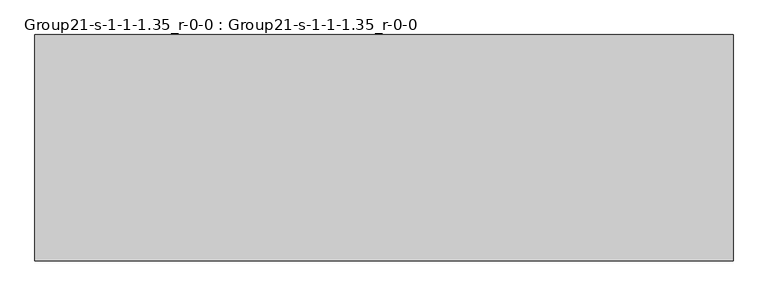
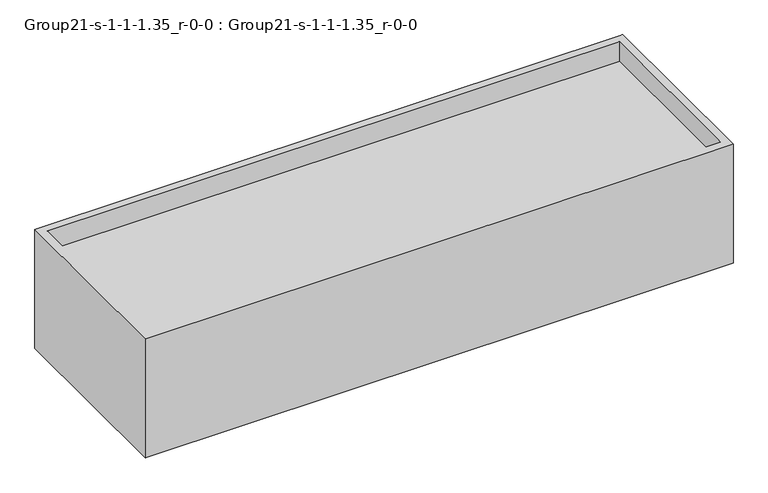
"""IFC4 building model written with IfcOpenShell, lengths in millimetres: geographic element geometry, Group21-s-1-1-1.35_r-0-0 : Group21-s-1-1-1.35_r-0-0."""

from ifc_helpers import new_model, si_unit, origin, place, context, project, spatial, triangles, source, transform, mapped, element, save


def group21_s_1_1_1_35_r_0_0_group21_s_1_1_1_35_r_0_0_54f4482e(model_context):
    return source(origin(), model_context, "Body", "Tessellation", [
        triangles([(16976.7253876, 7585.0748062, 0.0), (-6402.3429291, 0.0, 0.0), (-6402.3429291, 7585.0748062, 0.0), (16976.7253876, 0.0, 0.0), (16976.7253876, 0.0, 5008.6820663), (16976.7253876, 7585.0748062, 5008.6820663), (-6402.3429291, 7585.0748062, 5008.6820663), (-6402.3429291, 0.0, 5008.6820663), (16671.9253876, 7280.2748062, 5008.6820663), (16671.9253876, 304.8, 4185.7221245), (16671.9253876, 304.8, 5008.6820663), (16671.9253876, 7280.2748062, 4185.7221245), (-6097.5429291, 7280.2748062, 4185.7221245), (-6097.5429291, 7280.2748062, 5008.6820663), (-6097.5429291, 304.8, 5008.6820663), (-6097.5429291, 304.8, 4185.7221245)], [[1, 2, 3], [2, 1, 4], [1, 5, 4], [5, 1, 6], [7, 2, 8], [2, 7, 3], [9, 10, 11], [10, 9, 12], [9, 13, 12], [13, 9, 14], [5, 2, 4], [2, 5, 8], [7, 1, 3], [1, 7, 6], [8, 15, 7], [15, 8, 5], [15, 5, 11], [11, 5, 9], [7, 14, 6], [14, 7, 15], [6, 14, 9], [6, 9, 5], [13, 15, 16], [15, 13, 14], [15, 10, 16], [10, 15, 11], [10, 13, 16], [13, 10, 12]]),
    ])


if __name__ == "__main__":
    model = new_model("IFC4")
    model_context = context("Model", 3, world=origin())
    ifc_project = project(units=[si_unit("LENGTHUNIT", "METRE", prefix="MILLI")], contexts=[model_context])
    site = spatial("IfcSite", under=ifc_project)
    building = spatial("IfcBuilding", under=site)
    placement = place(None, origin())
    group21_s_1_1_1_35_r_0_0_group21_s_1_1_1_35_r_0_0_shape = group21_s_1_1_1_35_r_0_0_group21_s_1_1_1_35_r_0_0_54f4482e(model_context)
    element("IfcGeographicElement", 1, ObjectType="Group21-s-1-1-1.35_r-0-0 : Group21-s-1-1-1.35_r-0-0", at=placement, inside=building, context=model_context, shape_type="MappedRepresentation", body=[
        mapped(group21_s_1_1_1_35_r_0_0_group21_s_1_1_1_35_r_0_0_shape, transform((0.0, 0.0, 0.0), x_axis=(1.0, 0.0, 0.0), y_axis=(0.0, 1.0, 0.0), z_axis=(0.0, 0.0, 1.0))),
    ])
    save(model, "model.ifc")
